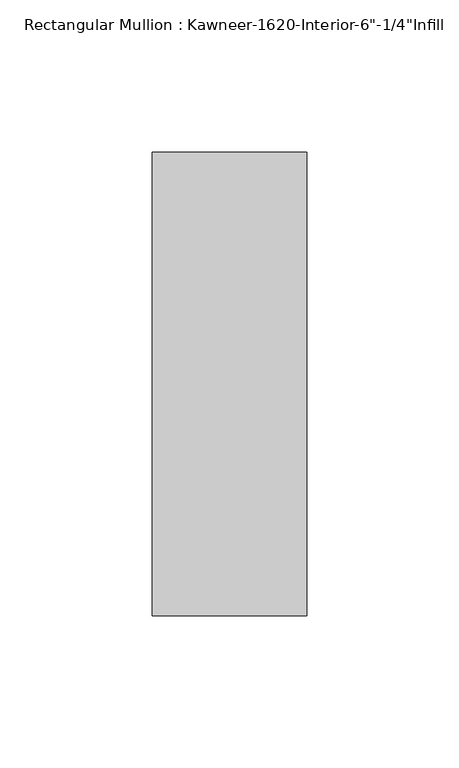
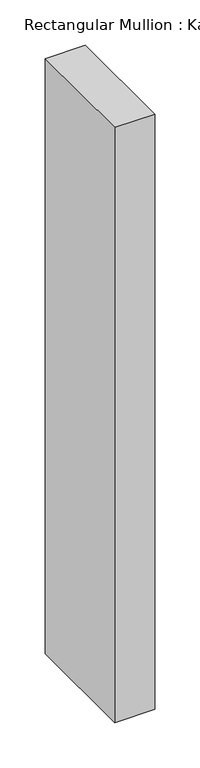
"""IFC4 building model written with IfcOpenShell, lengths in millimetres: member geometry."""

from ifc_helpers import new_model, si_unit, frame, origin, place, context, project, spatial, polyline, outline, extrude, source, transform, mapped, element, save


def member_e920fca6(model_context):
    return source(origin(), model_context, "Body", "SweptSolid", [
        extrude(outline(polyline([(25.4, -123.825), (-25.4, -123.825), (-25.4, 28.575), (25.4, 28.575), (25.4, -123.825)])), frame((0.0, 0.0, -800.0758018), z_axis=(0.0, 0.0, 1.0), x_axis=(1.0, 0.0, 0.0)), (0.0, 0.0, 1.0), 800.0758018),
    ])


if __name__ == "__main__":
    model = new_model("IFC4")
    model_context = context("Model", 3, world=origin())
    ifc_project = project(units=[si_unit("LENGTHUNIT", "METRE", prefix="MILLI")], contexts=[model_context])
    site = spatial("IfcSite", under=ifc_project)
    building = spatial("IfcBuilding", under=site)
    placement = place(None, origin())
    member_shape = member_e920fca6(model_context)
    element("IfcMember", 1, ObjectType="Rectangular Mullion : Kawneer-1620-Interior-6\"-1/4\"Infill", at=placement, inside=building, context=model_context, shape_type="MappedRepresentation", body=[
        mapped(member_shape, transform((0.0, 0.0, 0.0), x_axis=(1.0, 0.0, 0.0), y_axis=(0.0, 1.0, 0.0), z_axis=(0.0, 0.0, 1.0))),
    ])
    save(model, "model.ifc")
